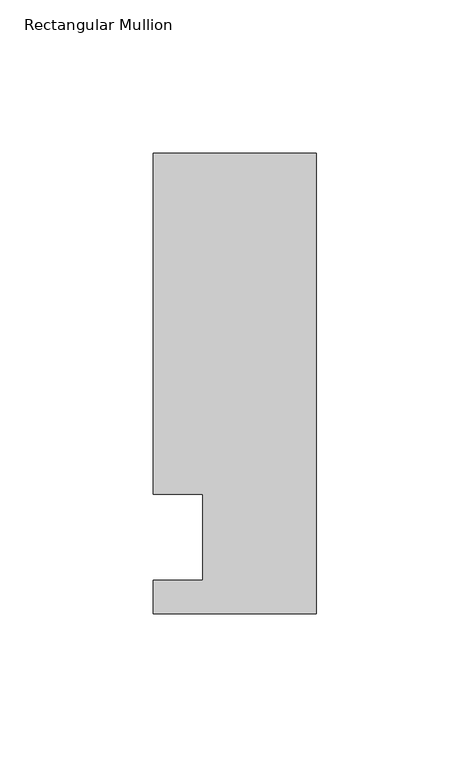
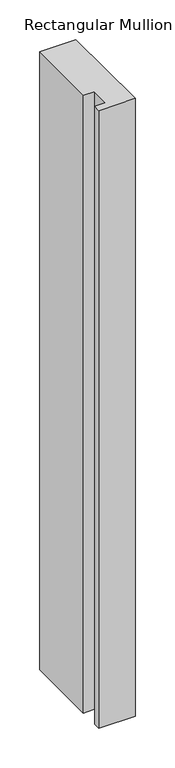
"""IFC4 building model written with IfcOpenShell, lengths in millimetres: member geometry, Rectangular Mullion."""

from ifc_helpers import new_model, si_unit, frame, origin, place, context, project, spatial, polyline, outline, extrude, source, transform, mapped, element, save


def rectangular_mullion_e7a6bb9c(model_context):
    return source(origin(), model_context, "Body", "SweptSolid", [
        extrude(outline(polyline([(-37.0, 14.0), (-53.0, 14.0), (-53.0, 125.0), (0.0, 125.0), (0.0, -25.0), (-53.0, -25.0), (-53.0, -14.0), (-37.0, -14.0), (-37.0, 14.0)])), frame((0.0, 0.0, -953.6595328), z_axis=(0.0, 0.0, 1.0), x_axis=(1.0, 0.0, 0.0)), (0.0, 0.0, 1.0), 953.6595328),
    ])


if __name__ == "__main__":
    model = new_model("IFC4")
    model_context = context("Model", 3, world=origin())
    ifc_project = project(units=[si_unit("LENGTHUNIT", "METRE", prefix="MILLI")], contexts=[model_context])
    site = spatial("IfcSite", under=ifc_project)
    building = spatial("IfcBuilding", under=site)
    placement = place(None, origin())
    rectangular_mullion_shape = rectangular_mullion_e7a6bb9c(model_context)
    element("IfcMember", 1, ObjectType="Rectangular Mullion", at=placement, inside=building, context=model_context, shape_type="MappedRepresentation", body=[
        mapped(rectangular_mullion_shape, transform((0.0, 0.0, 0.0), x_axis=(1.0, 0.0, 0.0), y_axis=(0.0, 1.0, 0.0), z_axis=(0.0, 0.0, 1.0))),
    ])
    save(model, "model.ifc")
